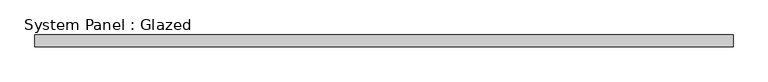
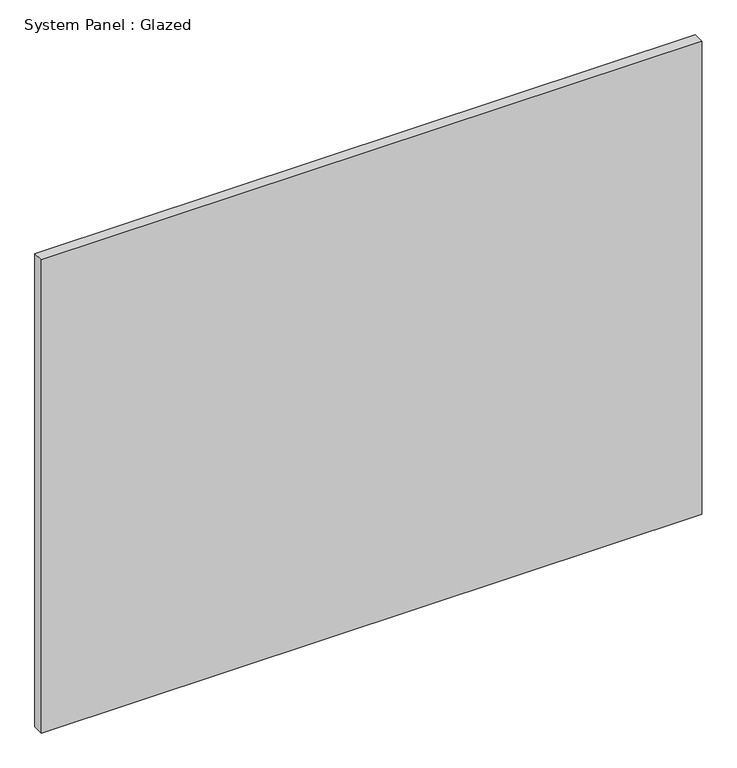
"""IFC4 building model written with IfcOpenShell, lengths in millimetres: plate geometry, System Panel : Glazed."""

from ifc_helpers import new_model, si_unit, origin, origin_with_axes, place, context, project, spatial, polyline, outline, extrude, source, transform, mapped, element, save


def system_panel_glazed_9fd2a1c9(model_context):
    return source(origin(), model_context, "Body", "SweptSolid", [
        extrude(outline(polyline([(754.38, -12.7), (-754.38, -12.7), (-754.38, 12.7), (754.38, 12.7), (754.38, -12.7)])), origin_with_axes(), (0.0, 0.0, 1.0), 1143.0),
    ])


if __name__ == "__main__":
    model = new_model("IFC4")
    model_context = context("Model", 3, world=origin())
    ifc_project = project(units=[si_unit("LENGTHUNIT", "METRE", prefix="MILLI")], contexts=[model_context])
    site = spatial("IfcSite", under=ifc_project)
    building = spatial("IfcBuilding", under=site)
    placement = place(None, origin())
    system_panel_glazed_shape = system_panel_glazed_9fd2a1c9(model_context)
    element("IfcPlate", 1, ObjectType="System Panel : Glazed", at=placement, inside=building, context=model_context, shape_type="MappedRepresentation", body=[
        mapped(system_panel_glazed_shape, transform((0.0, 0.0, 0.0), x_axis=(1.0, 0.0, 0.0), y_axis=(0.0, 1.0, 0.0), z_axis=(0.0, 0.0, 1.0))),
    ])
    save(model, "model.ifc")
